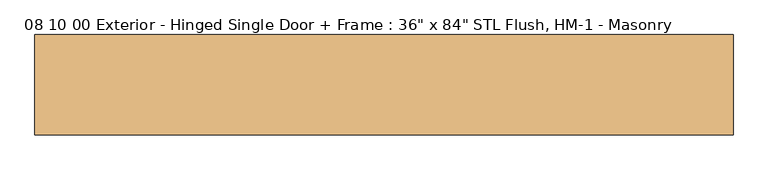
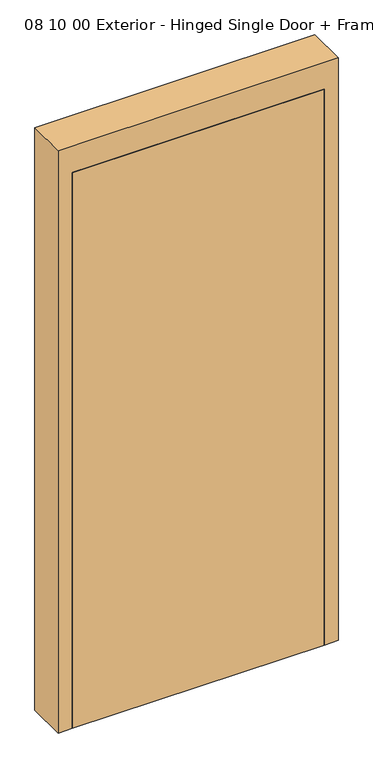
"""IFC4 building model written with IfcOpenShell, lengths in millimetres: door geometry."""

from ifc_helpers import new_model, si_unit, frame, origin, origin_with_axes, place, context, project, spatial, polyline, outline, extrude, source, transform, mapped, element, save


def door_89c827a2(model_context):
    return source(origin(), model_context, "Body", "SweptSolid", [
        extrude(outline(polyline([(457.2, -171.45), (457.2, -215.9), (-457.2, -215.9), (-457.2, -171.45), (457.2, -171.45)])), origin_with_axes(), (0.0, 0.0, 1.0), 2133.6),
        extrude(outline(polyline([(0.0, -508.0), (0.0, -457.2), (2133.6, -457.2), (2133.6, 457.2), (0.0, 457.2), (0.0, 508.0), (2235.2, 508.0), (2235.2, -508.0), (0.0, -508.0)])), frame((0.0, -215.9, 0.0), z_axis=(0.0, 1.0, 0.0), x_axis=(0.0, 0.0, 1.0)), (0.0, 0.0, 1.0), 146.05),
    ])


if __name__ == "__main__":
    model = new_model("IFC4")
    model_context = context("Model", 3, world=origin())
    ifc_project = project(units=[si_unit("LENGTHUNIT", "METRE", prefix="MILLI")], contexts=[model_context])
    site = spatial("IfcSite", under=ifc_project)
    building = spatial("IfcBuilding", under=site)
    placement = place(None, origin())
    door_shape = door_89c827a2(model_context)
    element("IfcDoor", 1, ObjectType="08 10 00 Exterior - Hinged Single Door + Frame : 36\" x 84\" STL Flush, HM-1 - Masonry", at=placement, inside=building, context=model_context, shape_type="MappedRepresentation", body=[
        mapped(door_shape, transform((0.0, 0.0, 0.0), x_axis=(1.0, 0.0, 0.0), y_axis=(0.0, 1.0, 0.0), z_axis=(0.0, 0.0, 1.0))),
    ])
    save(model, "model.ifc")
